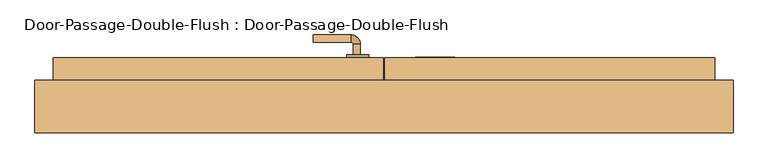
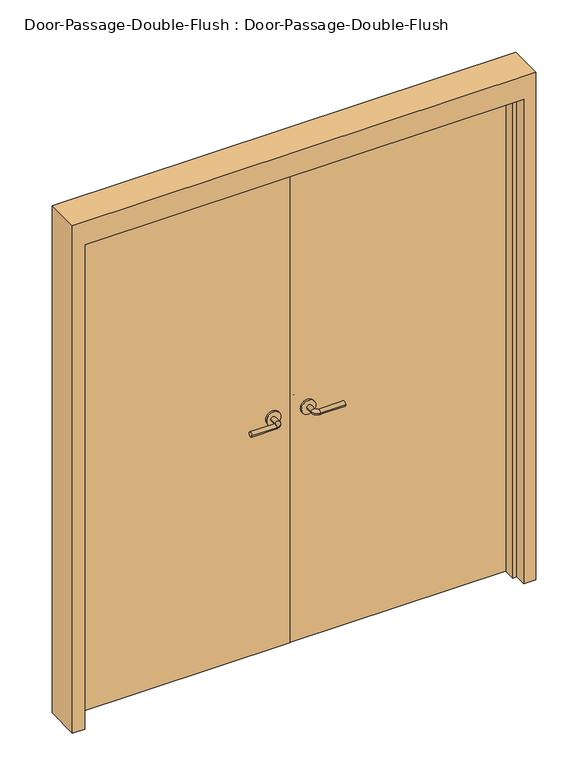
"""IFC4 building model written with IfcOpenShell, lengths in millimetres: door geometry, Door-Passage-Double-Flush : Door-Passage-Double-Flush."""

from ifc_helpers import new_model, si_unit, point, frame, frame_2d, origin, origin_with_axes, place, context, project, spatial, polyline, circle_curve, ellipse_curve, trimmed, segment, composite_curve, outline, extrude, faceted_brep, source, transform, mapped, element, save
from ifc_brep_helpers import plane_surface, cylinder_surface, revolved_surface, advanced_brep


def door_passage_double_flush_door_passage_double_flush_4abe87c4(model_context):
    return source(origin(), model_context, "Body", "SolidModel", [
        advanced_brep(
        [(-65.009375, -31.8125, 1016.0), (-85.009375, -31.8125, 1016.0), (-65.009375, -61.8125, 1016.0), (-85.009375, -61.8125, 1016.0), (-90.009375, -66.8125, 1016.0), (-90.009375, -86.8125, 1016.0), (-195.009375, -86.8125, 1016.0), (-195.009375, -66.8125, 1016.0)],
        [
            (0, 1, circle_curve(frame((-75.009375, -31.8125, 1016.0), z_axis=(0.0, 1.0, 0.0), x_axis=(-1.0, 0.0, 0.0)), 10.0)),
            (1, 0, circle_curve(frame((-75.009375, -31.8125, 1016.0), z_axis=(0.0, 1.0, 0.0), x_axis=(-1.0, 0.0, 0.0)), 10.0)),
            (0, 2),
            (2, 3, circle_curve(frame((-75.009375, -61.8125, 1016.0), z_axis=(0.0, 1.0, 0.0), x_axis=(-1.0, 0.0, 0.0)), 10.0)),
            (3, 1),
            (3, 2, circle_curve(frame((-75.009375, -61.8125, 1016.0), z_axis=(0.0, 1.0, 0.0), x_axis=(-1.0, 0.0, 0.0)), 10.0)),
            (4, 3, circle_curve(frame((-90.009375, -61.8125, 1016.0), z_axis=(0.0, 0.0, 1.0), x_axis=(1.0, 0.0, 0.0)), 5.0)),
            (2, 5, circle_curve(frame((-90.009375, -61.8125, 1016.0), z_axis=(0.0, 0.0, -1.0), x_axis=(1.0, 0.0, 0.0)), 25.0)),
            (5, 4, circle_curve(frame((-90.009375, -76.8125, 1016.0), z_axis=(1.0, 0.0, 0.0), x_axis=(0.0, 1.0, 0.0)), 10.0)),
            (4, 5, circle_curve(frame((-90.009375, -76.8125, 1016.0), z_axis=(1.0, 0.0, 0.0), x_axis=(0.0, 1.0, 0.0)), 10.0)),
            (6, 7, circle_curve(frame((-195.009375, -76.8125, 1016.0), z_axis=(-1.0, 0.0, 0.0), x_axis=(0.0, 1.0, 0.0)), 10.0)),
            (7, 6, circle_curve(frame((-195.009375, -76.8125, 1016.0), z_axis=(-1.0, 0.0, 0.0), x_axis=(0.0, 1.0, 0.0)), 10.0)),
            (5, 6),
            (7, 4),
        ],
        [
            plane_surface(frame((-75.009375, -31.8125, 1016.0), z_axis=(0.0, 1.0, 0.0), x_axis=(0.0, 0.0, 1.0))),
            cylinder_surface(frame((-75.009375, -31.8125, 1016.0), z_axis=(0.0, 1.0, 0.0), x_axis=(-1.0, 0.0, 0.0)), 10.0),
            revolved_surface(trimmed(ellipse_curve(frame((-75.009375, -61.8125, 1016.0), z_axis=(0.0, 1.0, 0.0), x_axis=(-1.0, 0.0, 0.0)), 10.0, 10.0), [point((-65.009375, -61.8125, 1016.0))], [point((-85.009375, -61.8125, 1016.0))], True, "CARTESIAN"), (-90.009375, -61.8125, 1016.0), (0.0, 0.0, -1.0)),
            revolved_surface(trimmed(ellipse_curve(frame((-75.009375, -61.8125, 1016.0), z_axis=(0.0, 1.0, 0.0), x_axis=(-1.0, 0.0, 0.0)), 10.0, 10.0), [point((-85.009375, -61.8125, 1016.0))], [point((-65.009375, -61.8125, 1016.0))], True, "CARTESIAN"), (-90.009375, -61.8125, 1016.0), (0.0, 0.0, -1.0)),
            plane_surface(frame((-195.009375, -76.8125, 1016.0), z_axis=(-1.0, 0.0, 0.0), x_axis=(0.0, 0.0, 1.0))),
            cylinder_surface(frame((-90.009375, -76.8125, 1016.0), z_axis=(1.0, 0.0, 0.0), x_axis=(0.0, 1.0, 0.0)), 10.0),
        ],
        [
            (0, [[1, 2]]),
            (1, [[-1, 3, 4, 5]]),
            (1, [[-2, -5, 6, -3]]),
            (2, [[7, -4, 8, 9]]),
            (3, [[-8, -6, -7, 10]]),
            (4, [[11, 12]]),
            (5, [[-9, 13, -12, 14]]),
            (5, [[-10, -14, -11, -13]]),
        ],
    ),
        extrude(outline(composite_curve([segment(trimmed(circle_curve(frame_2d((1016.0, -72.509375)), 30.0), [point((1016.0, -42.509375))], [point((1016.0, -102.509375))], False, "CARTESIAN"), True, "CONTINUOUS"), segment(trimmed(circle_curve(frame_2d((1016.0, -72.509375)), 30.0), [point((1016.0, -102.509375))], [point((1016.0, -42.509375))], False, "CARTESIAN"), True, "CONTINUOUS")], self_intersect=False)), frame((0.0, -31.8125, 0.0), z_axis=(0.0, 1.0, 0.0), x_axis=(0.0, 0.0, 1.0)), (0.0, 0.0, 1.0), 8.0),
        advanced_brep(
        [(-65.009375, 90.55, 1016.0), (-85.009375, 90.55, 1016.0), (-85.009375, 120.55, 1016.0), (-65.009375, 120.55, 1016.0), (-90.009375, 125.55, 1016.0), (-90.009375, 145.55, 1016.0), (-195.009375, 145.55, 1016.0), (-195.009375, 125.55, 1016.0)],
        [
            (0, 1, circle_curve(frame((-75.009375, 90.55, 1016.0), z_axis=(0.0, -1.0, 0.0), x_axis=(-1.0, 0.0, 0.0)), 10.0)),
            (1, 0, circle_curve(frame((-75.009375, 90.55, 1016.0), z_axis=(0.0, -1.0, 0.0), x_axis=(-1.0, 0.0, 0.0)), 10.0)),
            (1, 2),
            (2, 3, circle_curve(frame((-75.009375, 120.55, 1016.0), z_axis=(0.0, -1.0, 0.0), x_axis=(-1.0, 0.0, 0.0)), 10.0)),
            (3, 0),
            (3, 2, circle_curve(frame((-75.009375, 120.55, 1016.0), z_axis=(0.0, -1.0, 0.0), x_axis=(-1.0, 0.0, 0.0)), 10.0)),
            (4, 5, circle_curve(frame((-90.009375, 135.55, 1016.0), z_axis=(1.0, 0.0, 0.0), x_axis=(0.0, -1.0, 0.0)), 10.0)),
            (5, 3, circle_curve(frame((-90.009375, 120.55, 1016.0), z_axis=(0.0, 0.0, -1.0), x_axis=(1.0, 0.0, 0.0)), 25.0)),
            (2, 4, circle_curve(frame((-90.009375, 120.55, 1016.0), z_axis=(0.0, 0.0, 1.0), x_axis=(1.0, 0.0, 0.0)), 5.0)),
            (5, 4, circle_curve(frame((-90.009375, 135.55, 1016.0), z_axis=(1.0, 0.0, 0.0), x_axis=(0.0, -1.0, 0.0)), 10.0)),
            (6, 7, circle_curve(frame((-195.009375, 135.55, 1016.0), z_axis=(-1.0, 0.0, 0.0), x_axis=(0.0, -1.0, 0.0)), 10.0)),
            (7, 6, circle_curve(frame((-195.009375, 135.55, 1016.0), z_axis=(-1.0, 0.0, 0.0), x_axis=(0.0, -1.0, 0.0)), 10.0)),
            (4, 7),
            (6, 5),
        ],
        [
            plane_surface(frame((-75.009375, 90.55, 1016.0), z_axis=(0.0, -1.0, 0.0), x_axis=(0.0, 0.0, 1.0))),
            cylinder_surface(frame((-75.009375, 90.55, 1016.0), z_axis=(0.0, -1.0, 0.0), x_axis=(-1.0, 0.0, 0.0)), 10.0),
            revolved_surface(trimmed(ellipse_curve(frame((-75.009375, 120.55, 1016.0), z_axis=(0.0, 1.0, 0.0), x_axis=(-1.0, 0.0, 0.0)), 10.0, 10.0), [point((-65.009375, 120.55, 1016.0))], [point((-85.009375, 120.55, 1016.0))], True, "CARTESIAN"), (-90.009375, 120.55, 1016.0), (0.0, 0.0, -1.0)),
            revolved_surface(trimmed(ellipse_curve(frame((-75.009375, 120.55, 1016.0), z_axis=(0.0, 1.0, 0.0), x_axis=(-1.0, 0.0, 0.0)), 10.0, 10.0), [point((-85.009375, 120.55, 1016.0))], [point((-65.009375, 120.55, 1016.0))], True, "CARTESIAN"), (-90.009375, 120.55, 1016.0), (0.0, 0.0, -1.0)),
            plane_surface(frame((-195.009375, 135.55, 1016.0), z_axis=(-1.0, 0.0, 0.0), x_axis=(0.0, 0.0, 1.0))),
            cylinder_surface(frame((-90.009375, 135.55, 1016.0), z_axis=(1.0, 0.0, 0.0), x_axis=(0.0, -1.0, 0.0)), 10.0),
        ],
        [
            (0, [[1, 2]]),
            (1, [[3, 4, 5, -2]]),
            (1, [[-5, 6, -3, -1]]),
            (2, [[7, 8, -4, 9]]),
            (3, [[10, -9, -6, -8]]),
            (4, [[11, 12]]),
            (5, [[13, -11, 14, -7]]),
            (5, [[-14, -12, -13, -10]]),
        ],
    ),
        extrude(outline(composite_curve([segment(trimmed(circle_curve(frame_2d((1016.0, -72.509375)), 30.0), [point((1016.0, -42.509375))], [point((1016.0, -102.509375))], False, "CARTESIAN"), True, "CONTINUOUS"), segment(trimmed(circle_curve(frame_2d((1016.0, -72.509375)), 30.0), [point((1016.0, -102.509375))], [point((1016.0, -42.509375))], False, "CARTESIAN"), True, "CONTINUOUS")], self_intersect=False)), frame((0.0, 82.55, 0.0), z_axis=(0.0, 1.0, 0.0), x_axis=(0.0, 0.0, 1.0)), (0.0, 0.0, 1.0), 8.0),
        advanced_brep(
        [(65.009375, -31.8125, 1016.0), (85.009375, -31.8125, 1016.0), (85.009375, -61.8125, 1016.0), (65.009375, -61.8125, 1016.0), (90.009375, -66.8125, 1016.0), (90.009375, -86.8125, 1016.0), (195.009375, -86.8125, 1016.0), (195.009375, -66.8125, 1016.0)],
        [
            (0, 1, circle_curve(frame((75.009375, -31.8125, 1016.0), z_axis=(0.0, 1.0, 0.0), x_axis=(1.0, 0.0, 0.0)), 10.0)),
            (1, 0, circle_curve(frame((75.009375, -31.8125, 1016.0), z_axis=(0.0, 1.0, 0.0), x_axis=(1.0, 0.0, 0.0)), 10.0)),
            (1, 2),
            (2, 3, circle_curve(frame((75.009375, -61.8125, 1016.0), z_axis=(0.0, 1.0, 0.0), x_axis=(1.0, 0.0, 0.0)), 10.0)),
            (3, 0),
            (3, 2, circle_curve(frame((75.009375, -61.8125, 1016.0), z_axis=(0.0, 1.0, 0.0), x_axis=(1.0, 0.0, 0.0)), 10.0)),
            (4, 5, circle_curve(frame((90.009375, -76.8125, 1016.0), z_axis=(-1.0, 0.0, 0.0), x_axis=(0.0, 1.0, 0.0)), 10.0)),
            (5, 3, circle_curve(frame((90.009375, -61.8125, 1016.0), z_axis=(0.0, 0.0, -1.0), x_axis=(-1.0, 0.0, 0.0)), 25.0)),
            (2, 4, circle_curve(frame((90.009375, -61.8125, 1016.0), z_axis=(0.0, 0.0, 1.0), x_axis=(-1.0, 0.0, 0.0)), 5.0)),
            (5, 4, circle_curve(frame((90.009375, -76.8125, 1016.0), z_axis=(-1.0, 0.0, 0.0), x_axis=(0.0, 1.0, 0.0)), 10.0)),
            (6, 7, circle_curve(frame((195.009375, -76.8125, 1016.0), z_axis=(1.0, 0.0, 0.0), x_axis=(0.0, 1.0, 0.0)), 10.0)),
            (7, 6, circle_curve(frame((195.009375, -76.8125, 1016.0), z_axis=(1.0, 0.0, 0.0), x_axis=(0.0, 1.0, 0.0)), 10.0)),
            (4, 7),
            (6, 5),
        ],
        [
            plane_surface(frame((75.009375, -31.8125, 1016.0), z_axis=(0.0, 1.0, 0.0), x_axis=(0.0, 0.0, 1.0))),
            cylinder_surface(frame((75.009375, -31.8125, 1016.0), z_axis=(0.0, 1.0, 0.0), x_axis=(1.0, 0.0, 0.0)), 10.0),
            revolved_surface(trimmed(ellipse_curve(frame((75.009375, -61.8125, 1016.0), z_axis=(0.0, -1.0, 0.0), x_axis=(1.0, 0.0, 0.0)), 10.0, 10.0), [point((65.009375, -61.8125, 1016.0))], [point((85.009375, -61.8125, 1016.0))], True, "CARTESIAN"), (90.009375, -61.8125, 1016.0), (0.0, 0.0, -1.0)),
            revolved_surface(trimmed(ellipse_curve(frame((75.009375, -61.8125, 1016.0), z_axis=(0.0, -1.0, 0.0), x_axis=(1.0, 0.0, 0.0)), 10.0, 10.0), [point((85.009375, -61.8125, 1016.0))], [point((65.009375, -61.8125, 1016.0))], True, "CARTESIAN"), (90.009375, -61.8125, 1016.0), (0.0, 0.0, -1.0)),
            plane_surface(frame((195.009375, -76.8125, 1016.0), z_axis=(1.0, 0.0, 0.0), x_axis=(0.0, 0.0, 1.0))),
            cylinder_surface(frame((90.009375, -76.8125, 1016.0), z_axis=(-1.0, 0.0, 0.0), x_axis=(0.0, 1.0, 0.0)), 10.0),
        ],
        [
            (0, [[1, 2]]),
            (1, [[3, 4, 5, -2]]),
            (1, [[-5, 6, -3, -1]]),
            (2, [[7, 8, -4, 9]]),
            (3, [[10, -9, -6, -8]]),
            (4, [[11, 12]]),
            (5, [[13, -11, 14, -7]]),
            (5, [[-14, -12, -13, -10]]),
        ],
    ),
        extrude(outline(composite_curve([segment(trimmed(circle_curve(frame_2d((1016.0, 72.509375)), 30.0), [point((1016.0, 42.509375))], [point((1016.0, 102.509375))], False, "CARTESIAN"), True, "CONTINUOUS"), segment(trimmed(circle_curve(frame_2d((1016.0, 72.509375)), 30.0), [point((1016.0, 102.509375))], [point((1016.0, 42.509375))], False, "CARTESIAN"), True, "CONTINUOUS")], self_intersect=False)), frame((0.0, -31.8125, 0.0), z_axis=(0.0, 1.0, 0.0), x_axis=(0.0, 0.0, 1.0)), (0.0, 0.0, 1.0), 8.0),
        advanced_brep(
        [(65.009375, 28.6375, 1016.0), (85.009375, 28.6375, 1016.0), (65.009375, 58.6375, 1016.0), (85.009375, 58.6375, 1016.0), (90.009375, 63.6375, 1016.0), (90.009375, 83.6375, 1016.0), (195.009375, 83.6375, 1016.0), (195.009375, 63.6375, 1016.0)],
        [
            (0, 1, circle_curve(frame((75.009375, 28.6375, 1016.0), z_axis=(0.0, -1.0, 0.0), x_axis=(1.0, 0.0, 0.0)), 10.0)),
            (1, 0, circle_curve(frame((75.009375, 28.6375, 1016.0), z_axis=(0.0, -1.0, 0.0), x_axis=(1.0, 0.0, 0.0)), 10.0)),
            (0, 2),
            (2, 3, circle_curve(frame((75.009375, 58.6375, 1016.0), z_axis=(0.0, -1.0, 0.0), x_axis=(1.0, 0.0, 0.0)), 10.0)),
            (3, 1),
            (3, 2, circle_curve(frame((75.009375, 58.6375, 1016.0), z_axis=(0.0, -1.0, 0.0), x_axis=(1.0, 0.0, 0.0)), 10.0)),
            (4, 3, circle_curve(frame((90.009375, 58.6375, 1016.0), z_axis=(0.0, 0.0, 1.0), x_axis=(-1.0, 0.0, 0.0)), 5.0)),
            (2, 5, circle_curve(frame((90.009375, 58.6375, 1016.0), z_axis=(0.0, 0.0, -1.0), x_axis=(-1.0, 0.0, 0.0)), 25.0)),
            (5, 4, circle_curve(frame((90.009375, 73.6375, 1016.0), z_axis=(-1.0, 0.0, 0.0), x_axis=(0.0, -1.0, 0.0)), 10.0)),
            (4, 5, circle_curve(frame((90.009375, 73.6375, 1016.0), z_axis=(-1.0, 0.0, 0.0), x_axis=(0.0, -1.0, 0.0)), 10.0)),
            (6, 7, circle_curve(frame((195.009375, 73.6375, 1016.0), z_axis=(1.0, 0.0, 0.0), x_axis=(0.0, -1.0, 0.0)), 10.0)),
            (7, 6, circle_curve(frame((195.009375, 73.6375, 1016.0), z_axis=(1.0, 0.0, 0.0), x_axis=(0.0, -1.0, 0.0)), 10.0)),
            (5, 6),
            (7, 4),
        ],
        [
            plane_surface(frame((75.009375, 28.6375, 1016.0), z_axis=(0.0, -1.0, 0.0), x_axis=(0.0, 0.0, 1.0))),
            cylinder_surface(frame((75.009375, 28.6375, 1016.0), z_axis=(0.0, -1.0, 0.0), x_axis=(1.0, 0.0, 0.0)), 10.0),
            revolved_surface(trimmed(ellipse_curve(frame((75.009375, 58.6375, 1016.0), z_axis=(0.0, -1.0, 0.0), x_axis=(1.0, 0.0, 0.0)), 10.0, 10.0), [point((65.009375, 58.6375, 1016.0))], [point((85.009375, 58.6375, 1016.0))], True, "CARTESIAN"), (90.009375, 58.6375, 1016.0), (0.0, 0.0, -1.0)),
            revolved_surface(trimmed(ellipse_curve(frame((75.009375, 58.6375, 1016.0), z_axis=(0.0, -1.0, 0.0), x_axis=(1.0, 0.0, 0.0)), 10.0, 10.0), [point((85.009375, 58.6375, 1016.0))], [point((65.009375, 58.6375, 1016.0))], True, "CARTESIAN"), (90.009375, 58.6375, 1016.0), (0.0, 0.0, -1.0)),
            plane_surface(frame((195.009375, 73.6375, 1016.0), z_axis=(1.0, 0.0, 0.0), x_axis=(0.0, 0.0, 1.0))),
            cylinder_surface(frame((90.009375, 73.6375, 1016.0), z_axis=(-1.0, 0.0, 0.0), x_axis=(0.0, -1.0, 0.0)), 10.0),
        ],
        [
            (0, [[1, 2]]),
            (1, [[-1, 3, 4, 5]]),
            (1, [[-2, -5, 6, -3]]),
            (2, [[7, -4, 8, 9]]),
            (3, [[-8, -6, -7, 10]]),
            (4, [[11, 12]]),
            (5, [[-9, 13, -12, 14]]),
            (5, [[-10, -14, -11, -13]]),
        ],
    ),
        extrude(outline(composite_curve([segment(trimmed(circle_curve(frame_2d((1016.0, 72.509375)), 30.0), [point((1016.0, 42.509375))], [point((1016.0, 102.509375))], False, "CARTESIAN"), True, "CONTINUOUS"), segment(trimmed(circle_curve(frame_2d((1016.0, 72.509375)), 30.0), [point((1016.0, 102.509375))], [point((1016.0, 42.509375))], False, "CARTESIAN"), True, "CONTINUOUS")], self_intersect=False)), frame((0.0, 20.6375, 0.0), z_axis=(0.0, 1.0, 0.0), x_axis=(0.0, 0.0, 1.0)), (0.0, 0.0, 1.0), 8.0),
        faceted_brep([(914.4, -28.575, 0.0), (914.4, 20.6375, 0.0), (965.2, 20.6375, 0.0), (965.2, -125.4125, 0.0), (914.4, -125.4125, 0.0), (914.4, -76.2, 0.0), (898.525, -76.2, 0.0), (898.525, -28.575, 0.0), (914.4, -28.575, 2133.6), (914.4, 20.6375, 2133.6), (-914.4, 20.6375, 2133.6), (-914.4, 20.6375, 0.0), (-965.2, 20.6375, 0.0), (-965.2, 20.6375, 2235.2), (965.2, 20.6375, 2235.2), (965.2, -125.4125, 2235.2), (-965.2, -125.4125, 2235.2), (-965.2, -125.4125, 0.0), (-914.4, -125.4125, 0.0), (-914.4, -125.4125, 2133.6), (914.4, -125.4125, 2133.6), (914.4, -76.2, 2133.6), (-914.4, -76.2, 2133.6), (-914.4, -76.2, 0.0), (-898.525, -76.2, 0.0), (-898.525, -76.2, 2117.725), (898.525, -76.2, 2117.725), (898.525, -28.575, 2117.725), (-898.525, -28.575, 2117.725), (-898.525, -28.575, 0.0), (-914.4, -28.575, 0.0), (-914.4, -28.575, 2133.6)], [[[0, 1, 2, 3, 4, 5, 6, 7]], [[1, 0, 8, 9]], [[2, 1, 9, 10, 11, 12, 13, 14]], [[3, 2, 14, 15]], [[4, 3, 15, 16, 17, 18, 19, 20]], [[5, 4, 20, 21]], [[6, 5, 21, 22, 23, 24, 25, 26]], [[7, 6, 26, 27]], [[0, 7, 27, 28, 29, 30, 31, 8]], [[9, 8, 31, 10]], [[20, 19, 22, 21]], [[26, 25, 28, 27]], [[12, 11, 30, 29, 24, 23, 18, 17]], [[11, 10, 31, 30]], [[13, 12, 17, 16]], [[19, 18, 23, 22]], [[25, 24, 29, 28]], [[15, 14, 13, 16]]]),
        extrude(outline(polyline([(914.4, -23.8125), (1.5875, -23.8125), (1.5875, 82.55), (914.4, 82.55), (914.4, -23.8125)])), origin_with_axes(), (0.0, 0.0, 1.0), 2133.6),
        extrude(outline(polyline([(-1.5875, -23.8125), (-914.4, -23.8125), (-914.4, 82.55), (-1.5875, 82.55), (-1.5875, -23.8125)])), origin_with_axes(), (0.0, 0.0, 1.0), 2133.6),
    ])


if __name__ == "__main__":
    model = new_model("IFC4")
    model_context = context("Model", 3, world=origin())
    ifc_project = project(units=[si_unit("LENGTHUNIT", "METRE", prefix="MILLI")], contexts=[model_context])
    site = spatial("IfcSite", under=ifc_project)
    building = spatial("IfcBuilding", under=site)
    placement = place(None, origin())
    door_passage_double_flush_door_passage_double_flush_shape = door_passage_double_flush_door_passage_double_flush_4abe87c4(model_context)
    element("IfcDoor", 1, ObjectType="Door-Passage-Double-Flush : Door-Passage-Double-Flush", at=placement, inside=building, context=model_context, shape_type="MappedRepresentation", body=[
        mapped(door_passage_double_flush_door_passage_double_flush_shape, transform((0.0, 0.0, 0.0), x_axis=(1.0, 0.0, 0.0), y_axis=(0.0, 1.0, 0.0), z_axis=(0.0, 0.0, 1.0))),
    ])
    save(model, "model.ifc")
